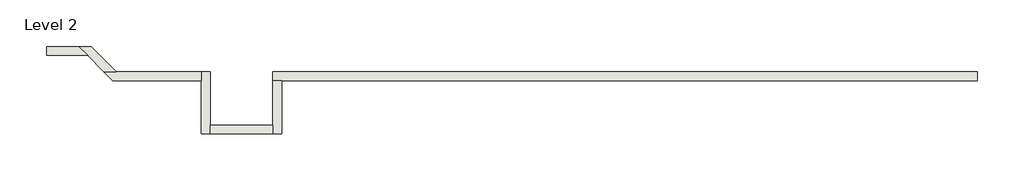
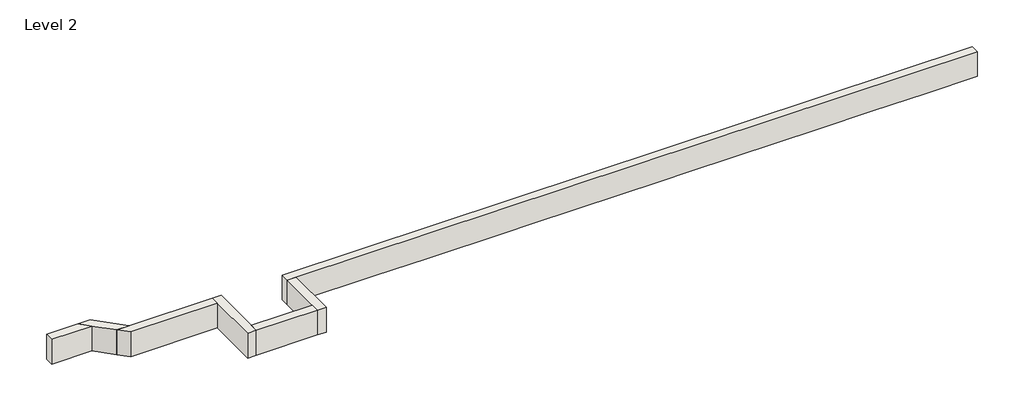
# One storey: 7 walls.
"""IFC4 building model written with IfcOpenShell, lengths in millimetres."""

from ifc_helpers import new_model, si_unit, frame, origin, place, context, project, spatial, polyline, outline, extrude, faceted_brep, element, save

model = new_model("IFC4")

# Units and contexts
model_context = context("Model", 3, world=origin())
ifc_project = project(units=[si_unit("LENGTHUNIT", "METRE", prefix="MILLI")], contexts=[model_context])

# Site, building, storey
site = spatial("IfcSite", under=ifc_project)
building = spatial("IfcBuilding", under=site)
storey = spatial("IfcBuildingStorey", under=building, Name="Level 2", Elevation=3048.0)

# Walls
placement = place(None, origin())
element("IfcWall", 1, ObjectType="Generic - 8\" Brick", at=placement, inside=storey, context=model_context, shape_type="Brep", body=[
    faceted_brep([(17699.8649874, 1422.3976187, 3048.0), (16480.6649874, 1422.3976187, 3048.0), (15261.4649874, 1422.3976187, 3048.0), (14020.757857, 1422.3976187, 3048.0), (10972.757857, 1422.3976187, 3048.0), (10363.157857, 1422.3976187, 3048.0), (7315.157857, 1422.3976187, 3048.0), (6705.557857, 1422.3976187, 3048.0), (4876.757857, 1422.3976187, 3048.0), (3657.557857, 1422.3976187, 3048.0), (1625.5602383, 1422.3976187, 3048.0), (1625.5602383, 1422.3976187, 3657.6), (17699.8649874, 1422.3976187, 3657.6), (17699.8649874, 1219.1976187, 3048.0), (17699.8649874, 1219.1976187, 3657.6), (1828.7602383, 1219.1976187, 3657.6), (1625.5602383, 1219.1976187, 3657.6), (1625.5602383, 1219.1976187, 3048.0), (1828.7602383, 1219.1976187, 3048.0), (3657.557857, 1219.1976187, 3048.0), (4876.757857, 1219.1976187, 3048.0), (6705.557857, 1219.1976187, 3048.0), (7315.157857, 1219.1976187, 3048.0), (10363.157857, 1219.1976187, 3048.0), (10972.757857, 1219.1976187, 3048.0), (14020.757857, 1219.1976187, 3048.0), (15261.4649874, 1219.1976187, 3048.0), (16480.6649874, 1219.1976187, 3048.0)], [[[0, 1, 2, 3, 4, 5, 6, 7, 8, 9, 10, 11, 12]], [[13, 14, 15, 16, 17, 18, 19, 20, 21, 22, 23, 24, 25, 26, 27]], [[10, 9, 8, 7, 6, 5, 4, 3, 2, 1, 0, 13, 27, 26, 25, 24, 23, 22, 21, 20, 19, 18, 17]], [[12, 11, 16, 15, 14]], [[0, 12, 14, 13]], [[11, 10, 17, 16]]]),
])
element("IfcWall", 2, ObjectType="Generic - 8\" Brick", at=placement, inside=storey, context=model_context, shape_type="Brep", body=[
    faceted_brep([(1625.5602383, 1219.1976187, 3048.0), (1625.5602383, 203.2, 3048.0), (1625.5602383, 0.0, 3048.0), (1625.5602383, 0.0, 3657.6), (1625.5602383, 203.2, 3657.6), (1625.5602383, 1219.1976187, 3657.6), (1828.7602383, 1219.1976187, 3048.0), (1828.7602383, 1219.1976187, 3657.6), (1828.7602383, 0.0, 3657.6), (1828.7602383, 0.0, 3048.0)], [[[0, 1, 2, 3, 4, 5]], [[6, 7, 8, 9]], [[2, 1, 0, 6, 9]], [[5, 4, 3, 8, 7]], [[0, 5, 7, 6]], [[3, 2, 9, 8]]]),
])
element("IfcWall", 3, ObjectType="Generic - 8\" Brick", at=placement, inside=storey, context=model_context, shape_type="SweptSolid", body=[
    extrude(outline(polyline([(203.157857, 203.2), (1625.5602383, 203.2), (1625.5602383, 0.0), (203.157857, 0.0), (203.157857, 203.2)])), frame((0.0, 0.0, 3048.0), z_axis=(0.0, 0.0, 1.0), x_axis=(1.0, 0.0, 0.0)), (0.0, 0.0, 1.0), 609.6),
])
element("IfcWall", 4, ObjectType="Generic - 8\" Brick", at=placement, inside=storey, context=model_context, shape_type="Brep", body=[
    faceted_brep([(203.157857, 0.0, 3048.0), (203.157857, 203.2, 3048.0), (203.157857, 1422.3976187, 3048.0), (203.157857, 1422.3976187, 3657.6), (203.157857, 203.2, 3657.6), (203.157857, 0.0, 3657.6), (-0.042143, 0.0, 3048.0), (-0.042143, 0.0, 3657.6), (-0.042143, 1219.1976187, 3657.6), (-0.042143, 1422.3976187, 3657.6), (-0.042143, 1422.3976187, 3048.0), (-0.042143, 1219.1976187, 3048.0)], [[[0, 1, 2, 3, 4, 5]], [[6, 7, 8, 9, 10, 11]], [[2, 1, 0, 6, 11, 10]], [[5, 4, 3, 9, 8, 7]], [[0, 5, 7, 6]], [[3, 2, 10, 9]]]),
])
element("IfcWall", 5, ObjectType="Generic - 8\" Brick", at=placement, inside=storey, context=model_context, shape_type="Brep", body=[
    faceted_brep([(-0.042143, 1422.3976187, 3048.0), (-1938.7501863, 1422.3976187, 3048.0), (-2226.1183822, 1422.3976187, 3048.0), (-2226.1183822, 1422.3976187, 3657.6), (-1938.7501863, 1422.3976187, 3657.6), (-0.042143, 1422.3976187, 3657.6), (-0.042143, 1219.1976187, 3048.0), (-0.042143, 1219.1976187, 3657.6), (-2022.9183822, 1219.1976187, 3657.6), (-2022.9183822, 1219.1976187, 3048.0)], [[[0, 1, 2, 3, 4, 5]], [[6, 7, 8, 9]], [[2, 1, 0, 6, 9]], [[5, 4, 3, 8, 7]], [[0, 5, 7, 6]], [[3, 2, 9, 8]]]),
])
element("IfcWall", 6, ObjectType="Generic - 8\" Brick", at=placement, inside=storey, context=model_context, shape_type="Brep", body=[
    faceted_brep([(-1938.7501863, 1422.3976187, 3048.0), (-2510.0444096, 1993.6918421, 3048.0), (-2510.0444096, 1993.6918421, 3657.6), (-1938.7501863, 1422.3976187, 3657.6), (-2226.1183822, 1422.3976187, 3048.0), (-2226.1183822, 1422.3976187, 3657.6), (-2594.2126055, 1790.4918421, 3657.6), (-2797.4126055, 1993.6918421, 3657.6), (-2797.4126055, 1993.6918421, 3048.0), (-2594.2126055, 1790.4918421, 3048.0)], [[[0, 1, 2, 3]], [[4, 5, 6, 7, 8, 9]], [[1, 0, 4, 9, 8]], [[3, 2, 7, 6, 5]], [[0, 3, 5, 4]], [[2, 1, 8, 7]]]),
])
element("IfcWall", 7, ObjectType="Generic - 8\" Brick", at=placement, inside=storey, context=model_context, shape_type="SweptSolid", body=[
    extrude(outline(polyline([(-3532.5603433, 1993.6918421), (-2797.4126055, 1993.6918421), (-2594.2126055, 1790.4918421), (-3532.5603433, 1790.4918421), (-3532.5603433, 1993.6918421)])), frame((0.0, 0.0, 3048.0), z_axis=(0.0, 0.0, 1.0), x_axis=(1.0, 0.0, 0.0)), (0.0, 0.0, 1.0), 609.6),
])

save(model, "model.ifc")
